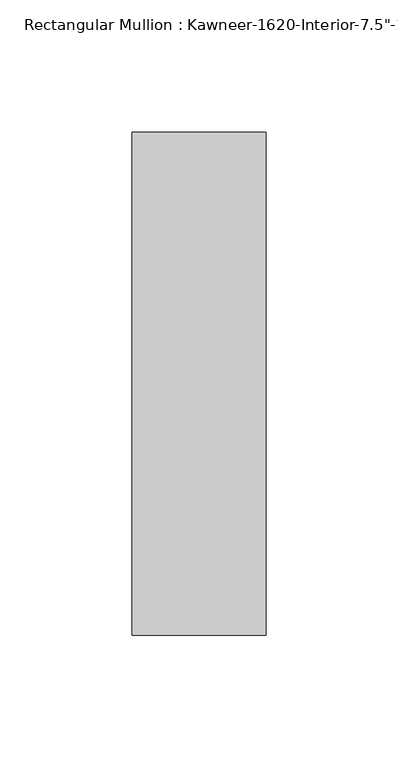
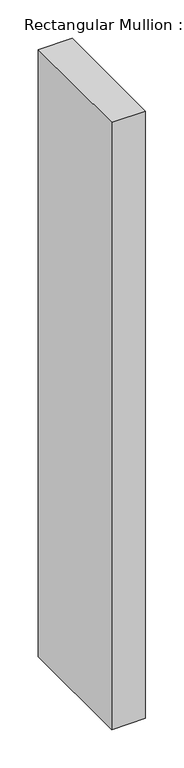
"""IFC4 building model written with IfcOpenShell, lengths in millimetres: member geometry."""

import ifcopenshell
import ifcopenshell.guid

model = None  # the IFC model being written
_history = None  # IfcOwnerHistory: only IFC2X3 demands one
_inside = {}  # id of a spatial element -> (the spatial element, [elements in it])
_under = {}  # id of a project, library or spatial element -> (it, [spatial elements below it])
_declared = {}  # id of a project -> (the project, [libraries it declares])
_typed = {}  # id of a type object -> (the type object, [elements of that type])
_made_of = {}  # id of a material, layer set ... -> (it, [elements and type objects made of it])


def new_model(schema):
    """Start an empty IFC model of exactly this schema.

    Asked for "IFC4X3", IfcOpenShell would pick the latest addendum, in which some entities
    have other attributes; the version numbers below select the first issue.
    IFC2X3 requires an IfcOwnerHistory on every rooted entity: one is made here for all.
    """
    global model, _history
    if schema == "IFC4X3":
        model = ifcopenshell.file(schema_version=(4, 3, 0, 0))
    else:
        model = ifcopenshell.file(schema=schema)
    _inside.clear()
    _under.clear()
    _declared.clear()
    _typed.clear()
    _made_of.clear()
    _history = None
    if model.schema == "IFC2X3":
        org = make("IfcOrganization", Name="unknown")
        user = make(
            "IfcPersonAndOrganization",
            ThePerson=make("IfcPerson", FamilyName="unknown"),
            TheOrganization=org,
        )
        app = make(
            "IfcApplication",
            ApplicationDeveloper=org,
            Version="unknown",
            ApplicationFullName="unknown",
            ApplicationIdentifier="unknown",
        )
        _history = make(
            "IfcOwnerHistory",
            OwningUser=user,
            OwningApplication=app,
            ChangeAction="ADDED",
            CreationDate=0,
        )
    return model


def make(cls, **values):
    """One entity of the class cls with the attributes given. An attribute that is None is left unset."""
    return model.create_entity(
        cls, **{name: value for name, value in values.items() if value is not None}
    )


def rooted(cls, **values):
    """An entity with a GlobalId (a new one), such as an element, a storey or a relation."""
    return make(cls, GlobalId=ifcopenshell.guid.new(), OwnerHistory=_history, **values)


def si_unit(unit_type, name, prefix=None):
    """IfcSIUnit, for example si_unit("LENGTHUNIT", "METRE", prefix="MILLI")."""
    return make("IfcSIUnit", UnitType=unit_type, Prefix=prefix, Name=name)


def assignment(units):
    """IfcUnitAssignment: the units of a project."""
    return None if units is None else make("IfcUnitAssignment", Units=units)


def point(xyz):
    """IfcCartesianPoint."""
    return None if xyz is None else make("IfcCartesianPoint", Coordinates=xyz)


def direction(xyz):
    """IfcDirection."""
    return None if xyz is None else make("IfcDirection", DirectionRatios=xyz)


def frame(location, z_axis=None, x_axis=None):
    """IfcAxis2Placement3D, a coordinate frame: its origin and axes. An axis left out is left unset."""
    return make(
        "IfcAxis2Placement3D",
        Location=point(location),
        Axis=direction(z_axis),
        RefDirection=direction(x_axis),
    )


def origin():
    """The frame at (0, 0, 0) with its axes left unset."""
    return frame((0.0, 0.0, 0.0))


def place(relative_to, where):
    """IfcLocalPlacement: puts the frame where relative to a parent placement (None: the world)."""
    return make(
        "IfcLocalPlacement", PlacementRelTo=relative_to, RelativePlacement=where
    )


def context(
    kind, dimensions, precision=None, world=None, true_north=None, identifier=None
):
    """IfcGeometricRepresentationContext, for example the 3D "Model" context."""
    return make(
        "IfcGeometricRepresentationContext",
        ContextIdentifier=identifier,
        ContextType=kind,
        CoordinateSpaceDimension=dimensions,
        Precision=precision,
        WorldCoordinateSystem=world,
        TrueNorth=true_north,
    )


def project(units=None, contexts=None):
    """IfcProject with its units and contexts."""
    return rooted(
        "IfcProject",
        Name="project",
        RepresentationContexts=contexts,
        UnitsInContext=assignment(units),
    )


def spatial(cls, under=None, at=None, **own):
    """A site, building, storey or space (cls), placed at a placement, below another one or the project."""
    s = rooted(cls, ObjectPlacement=at, **own)
    if under is not None:
        _under.setdefault(under.id(), (under, []))[1].append(s)
    return s


def polyline(points):
    """IfcPolyline through the points."""
    return make("IfcPolyline", Points=[point(p) for p in points])


def outline(outer, holes=None, kind="AREA"):
    """IfcArbitraryClosedProfileDef: a profile drawn as a closed curve; with holes, ...WithVoids."""
    if holes is None:
        return make("IfcArbitraryClosedProfileDef", ProfileType=kind, OuterCurve=outer)
    return make(
        "IfcArbitraryProfileDefWithVoids",
        ProfileType=kind,
        OuterCurve=outer,
        InnerCurves=holes,
    )


def extrude(swept, where, along, depth):
    """IfcExtrudedAreaSolid: the profile swept, set in the frame where, extruded along a direction by depth."""
    return make(
        "IfcExtrudedAreaSolid",
        SweptArea=swept,
        Position=where,
        ExtrudedDirection=direction(along),
        Depth=depth,
    )


def shape(context_of_items, identifier, shape_type, items):
    """IfcShapeRepresentation: the items that make up one representation, for example the "Body"."""
    return make(
        "IfcShapeRepresentation",
        ContextOfItems=context_of_items,
        RepresentationIdentifier=identifier,
        RepresentationType=shape_type,
        Items=items,
    )


def source(mapping_origin, context_of_items, identifier, shape_type, items):
    """IfcRepresentationMap: a shape defined once, which mapped items show again and again."""
    return make(
        "IfcRepresentationMap",
        MappingOrigin=mapping_origin,
        MappedRepresentation=shape(context_of_items, identifier, shape_type, items),
    )


def transform(
    local_origin,
    x_axis=None,
    y_axis=None,
    z_axis=None,
    scale=None,
    scale2=None,
    scale3=None,
    uniform=True,
):
    """IfcCartesianTransformationOperator3D, or its non-uniform kind. x_axis, y_axis, z_axis: its Axis1, 2, 3."""
    if uniform:
        return make(
            "IfcCartesianTransformationOperator3D",
            Axis1=direction(x_axis),
            Axis2=direction(y_axis),
            LocalOrigin=point(local_origin),
            Scale=scale,
            Axis3=direction(z_axis),
        )
    return make(
        "IfcCartesianTransformationOperator3DnonUniform",
        Axis1=direction(x_axis),
        Axis2=direction(y_axis),
        LocalOrigin=point(local_origin),
        Scale=scale,
        Axis3=direction(z_axis),
        Scale2=scale2,
        Scale3=scale3,
    )


def mapped(mapping_source, mapping_target):
    """IfcMappedItem: shows the shape of a source again, moved by a transform."""
    return make(
        "IfcMappedItem", MappingSource=mapping_source, MappingTarget=mapping_target
    )


def made_of(thing, what):
    """Note that an element or type object is made of a material, layer set ...; save() writes the relation."""
    if what is not None:
        _made_of.setdefault(what.id(), (what, []))[1].append(thing)
    return thing


def element(
    cls,
    number,
    at=None,
    inside=None,
    cuts=None,
    type_object=None,
    material=None,
    context=None,
    identifier="Body",
    shape_type=None,
    held_by="IfcProductDefinitionShape",
    body=None,
    shapes=None,
    **own,
):
    """One element of the class cls, such as IfcWall. Its Tag is "e" and its number.

    at: its placement. inside: the storey or other place that contains it. cuts: it is an
    opening in that element (IfcRelVoidsElement). A single representation is given by context,
    identifier, shape_type and body (its items); several are given by shapes. held_by: the class
    of the entity that holds the representations. save() writes the other relations.
    """
    e = rooted(cls, Tag="e%d" % number, ObjectPlacement=at, **own)
    if body is not None:
        shapes = [shape(context, identifier, shape_type, body)]
    if shapes is not None:
        e.Representation = make(held_by, Representations=shapes)
    if inside is not None:
        _inside.setdefault(inside.id(), (inside, []))[1].append(e)
    if cuts is not None:
        rooted(
            "IfcRelVoidsElement", RelatingBuildingElement=cuts, RelatedOpeningElement=e
        )
    if type_object is not None:
        _typed.setdefault(type_object.id(), (type_object, []))[1].append(e)
    return made_of(e, material)


def aggregate(whole, parts):
    """IfcRelAggregates: a whole, such as a stair, and the parts it consists of."""
    return rooted("IfcRelAggregates", RelatingObject=whole, RelatedObjects=parts)


def save(model, path):
    """Write the relations noted so far, then the file.

    IfcRelAggregates (storeys below a building ...), IfcRelContainedInSpatialStructure (elements
    in a storey), IfcRelDefinesByType, IfcRelAssociatesMaterial and IfcRelDeclares: one each for
    every whole, place, type object, material and project.
    """
    for whole, parts in _under.values():
        aggregate(whole, parts)
    for where, things in _inside.values():
        rooted(
            "IfcRelContainedInSpatialStructure",
            RelatedElements=things,
            RelatingStructure=where,
        )
    for kind, things in _typed.values():
        rooted("IfcRelDefinesByType", RelatedObjects=things, RelatingType=kind)
    for what, things in _made_of.values():
        rooted("IfcRelAssociatesMaterial", RelatedObjects=things, RelatingMaterial=what)
    for by, libraries in _declared.values():
        rooted("IfcRelDeclares", RelatingContext=by, RelatedDefinitions=libraries)
    model.write(path)


def member_babe3cb6(model_context):
    return source(origin(), model_context, "Body", "SweptSolid", [
        extrude(outline(polyline([(25.4, -152.4), (-25.4, -152.4), (-25.4, 38.1), (25.4, 38.1), (25.4, -152.4)])), frame((0.0, 0.0, -965.2), z_axis=(0.0, 0.0, 1.0), x_axis=(1.0, 0.0, 0.0)), (0.0, 0.0, 1.0), 965.2),
    ])


if __name__ == "__main__":
    model = new_model("IFC4")
    model_context = context("Model", 3, world=origin())
    ifc_project = project(units=[si_unit("LENGTHUNIT", "METRE", prefix="MILLI")], contexts=[model_context])
    site = spatial("IfcSite", under=ifc_project)
    building = spatial("IfcBuilding", under=site)
    placement = place(None, origin())
    member_shape = member_babe3cb6(model_context)
    element("IfcMember", 1, ObjectType="Rectangular Mullion : Kawneer-1620-Interior-7.5\"-1\"Infill", at=placement, inside=building, context=model_context, shape_type="MappedRepresentation", body=[
        mapped(member_shape, transform((0.0, 0.0, 0.0), x_axis=(1.0, 0.0, 0.0), y_axis=(0.0, 1.0, 0.0), z_axis=(0.0, 0.0, 1.0))),
    ])
    save(model, "model.ifc")
